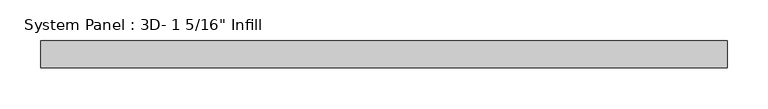
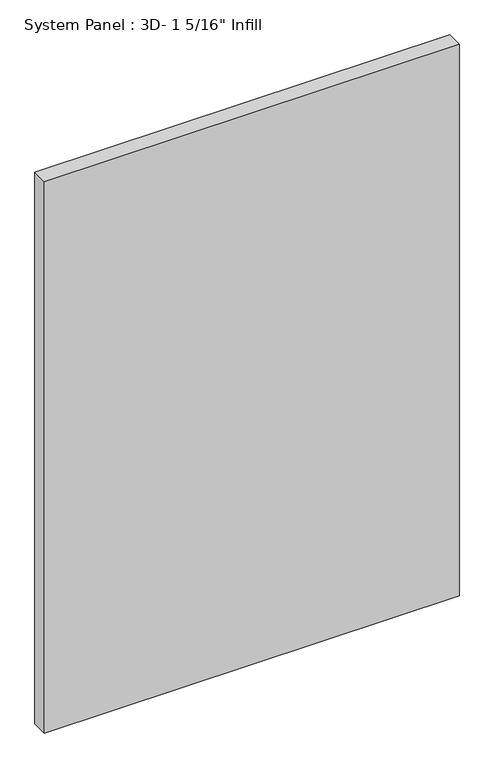
"""IFC4 building model written with IfcOpenShell, lengths in millimetres: plate geometry."""

from ifc_helpers import new_model, si_unit, origin, origin_with_axes, place, context, project, spatial, polyline, outline, extrude, source, transform, mapped, element, save


def plate_a2d5ec9c(model_context):
    return source(origin(), model_context, "Body", "SweptSolid", [
        extrude(outline(polyline([(420.6413418, -16.66875), (-420.6413418, -16.66875), (-420.6413418, 16.66875), (420.6413418, 16.66875), (420.6413418, -16.66875)])), origin_with_axes(), (0.0, 0.0, 1.0), 1181.1),
    ])


if __name__ == "__main__":
    model = new_model("IFC4")
    model_context = context("Model", 3, world=origin())
    ifc_project = project(units=[si_unit("LENGTHUNIT", "METRE", prefix="MILLI")], contexts=[model_context])
    site = spatial("IfcSite", under=ifc_project)
    building = spatial("IfcBuilding", under=site)
    placement = place(None, origin())
    plate_shape = plate_a2d5ec9c(model_context)
    element("IfcPlate", 1, ObjectType="System Panel : 3D- 1 5/16\" Infill", at=placement, inside=building, context=model_context, shape_type="MappedRepresentation", body=[
        mapped(plate_shape, transform((0.0, 0.0, 0.0), x_axis=(1.0, 0.0, 0.0), y_axis=(0.0, 1.0, 0.0), z_axis=(0.0, 0.0, 1.0))),
    ])
    save(model, "model.ifc")
